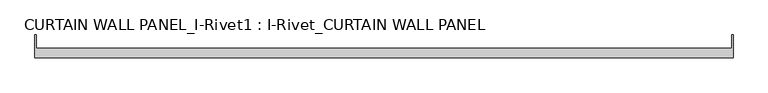
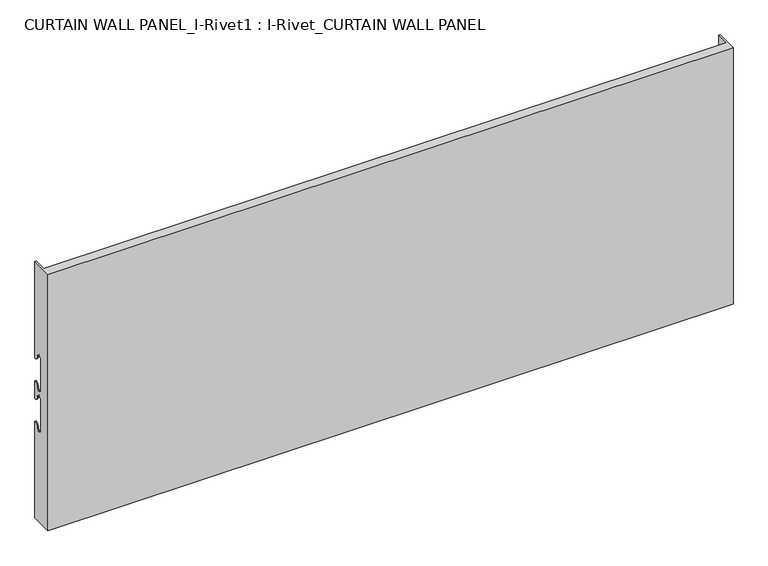
"""IFC4 building model written with IfcOpenShell, lengths in millimetres: plate geometry, CURTAIN WALL PANEL_I-Rivet1 : I-Rivet_CURTAIN WALL PANEL."""

from ifc_helpers import new_model, si_unit, frame, origin, place, context, project, spatial, polyline, circle_curve, source, transform, mapped, element, save
from ifc_brep_helpers import plane_surface, cylinder_surface, revolved_surface, advanced_brep


def curtain_wall_panel_i_rivet1_i_rivet_curtain_wall_panel_7db5dbdc(model_context):
    return source(origin(), model_context, "Body", "AdvancedBrep", [
        advanced_brep(
        [(-600.0, -85.0, 475.0), (600.0, -85.0, 475.0), (600.0, -45.3384103, 475.0), (598.0, -45.3384103, 475.0), (598.0, -68.0, 475.0), (-598.0, -68.0, 475.0), (-598.0, -45.3384103, 475.0), (-600.0, -45.3384103, 475.0), (-600.0, -85.0, 0.0), (-600.0, -45.3384103, 0.0), (-598.0, -45.3384103, 0.0), (-598.0, -68.0, 0.0), (598.0, -68.0, 0.0), (598.0, -45.3384103, 0.0), (600.0, -45.3384103, 0.0), (600.0, -85.0, 0.0), (-600.0, -45.3384103, 296.0), (-600.0, -52.3384103, 303.0), (-600.0, -63.3384103, 303.0), (-600.0, -63.3384103, 247.0), (-600.0, -52.3384103, 247.0), (-600.0, -45.3384103, 254.0), (-600.0, -45.3384103, 221.0), (-600.0, -52.3384103, 228.0), (-600.0, -63.3384103, 228.0), (-600.0, -63.3384103, 172.0), (-600.0, -52.3384103, 172.0), (-600.0, -45.3384103, 179.0), (-598.0, -45.3384103, 179.0), (-598.0, -45.3384103, 254.0), (-598.0, -45.3384103, 221.0), (-598.0, -45.3384103, 296.0), (600.0, -45.3384103, 296.0), (598.0, -45.3384103, 296.0), (598.0, -45.3384103, 179.0), (600.0, -45.3384103, 179.0), (598.0, -45.3384103, 221.0), (598.0, -45.3384103, 254.0), (600.0, -45.3384103, 254.0), (600.0, -45.3384103, 221.0), (600.0, -52.3384103, 172.0), (600.0, -63.3384103, 172.0), (600.0, -63.3384103, 228.0), (600.0, -52.3384103, 228.0), (600.0, -52.3384103, 247.0), (600.0, -63.3384103, 247.0), (600.0, -63.3384103, 303.0), (600.0, -52.3384103, 303.0), (-598.0, -52.3384103, 172.0), (-598.0, -63.3384103, 172.0), (-598.0, -63.3384103, 228.0), (-598.0, -52.3384103, 228.0), (-598.0, -52.3384103, 247.0), (-598.0, -63.3384103, 247.0), (-598.0, -63.3384103, 303.0), (-598.0, -52.3384103, 303.0), (598.0, -52.3384103, 303.0), (598.0, -63.3384103, 303.0), (598.0, -63.3384103, 247.0), (598.0, -52.3384103, 247.0), (598.0, -52.3384103, 228.0), (598.0, -63.3384103, 228.0), (598.0, -63.3384103, 172.0), (598.0, -52.3384103, 172.0)],
        [
            (0, 1),
            (1, 2),
            (2, 3),
            (3, 4),
            (4, 5),
            (5, 6),
            (6, 7),
            (7, 0),
            (8, 9),
            (9, 10),
            (10, 11),
            (11, 12),
            (12, 13),
            (13, 14),
            (14, 15),
            (15, 8),
            (7, 16),
            (16, 17, circle_curve(frame((-600.0, -45.3384103, 303.0), z_axis=(-1.0, 0.0, 0.0), x_axis=(0.0, -1.0, 0.0)), 7.0)),
            (17, 18, circle_curve(frame((-600.0, -57.8384103, 303.0), z_axis=(1.0, 0.0, 0.0), x_axis=(0.0, -1.0, 0.0)), 5.5)),
            (18, 19),
            (19, 20, circle_curve(frame((-600.0, -57.8384103, 247.0), z_axis=(1.0, 0.0, 0.0), x_axis=(0.0, -1.0, 0.0)), 5.5)),
            (20, 21, circle_curve(frame((-600.0, -45.3384103, 247.0), z_axis=(-1.0, 0.0, 0.0), x_axis=(0.0, -1.0, 0.0)), 7.0)),
            (21, 22),
            (22, 23, circle_curve(frame((-600.0, -45.3384103, 228.0), z_axis=(-1.0, 0.0, 0.0), x_axis=(0.0, -1.0, 0.0)), 7.0)),
            (23, 24, circle_curve(frame((-600.0, -57.8384103, 228.0), z_axis=(1.0, 0.0, 0.0), x_axis=(0.0, -1.0, 0.0)), 5.5)),
            (24, 25),
            (25, 26, circle_curve(frame((-600.0, -57.8384103, 172.0), z_axis=(1.0, 0.0, 0.0), x_axis=(0.0, -1.0, 0.0)), 5.5)),
            (26, 27, circle_curve(frame((-600.0, -45.3384103, 172.0), z_axis=(-1.0, 0.0, 0.0), x_axis=(0.0, -1.0, 0.0)), 7.0)),
            (27, 9),
            (8, 0),
            (27, 28),
            (28, 10),
            (21, 29),
            (29, 30),
            (30, 22),
            (6, 31),
            (31, 16),
            (2, 32),
            (32, 33),
            (33, 3),
            (13, 34),
            (34, 35),
            (35, 14),
            (36, 37),
            (37, 38),
            (38, 39),
            (39, 36),
            (1, 15),
            (35, 40, circle_curve(frame((600.0, -45.3384103, 172.0), z_axis=(1.0, 0.0, 0.0), x_axis=(0.0, -1.0, 0.0)), 7.0)),
            (40, 41, circle_curve(frame((600.0, -57.8384103, 172.0), z_axis=(-1.0, 0.0, 0.0), x_axis=(0.0, -1.0, 0.0)), 5.5)),
            (41, 42),
            (42, 43, circle_curve(frame((600.0, -57.8384103, 228.0), z_axis=(-1.0, 0.0, 0.0), x_axis=(0.0, -1.0, 0.0)), 5.5)),
            (43, 39, circle_curve(frame((600.0, -45.3384103, 228.0), z_axis=(1.0, 0.0, 0.0), x_axis=(0.0, -1.0, 0.0)), 7.0)),
            (38, 44, circle_curve(frame((600.0, -45.3384103, 247.0), z_axis=(1.0, 0.0, 0.0), x_axis=(0.0, -1.0, 0.0)), 7.0)),
            (44, 45, circle_curve(frame((600.0, -57.8384103, 247.0), z_axis=(-1.0, 0.0, 0.0), x_axis=(0.0, -1.0, 0.0)), 5.5)),
            (45, 46),
            (46, 47, circle_curve(frame((600.0, -57.8384103, 303.0), z_axis=(-1.0, 0.0, 0.0), x_axis=(0.0, -1.0, 0.0)), 5.5)),
            (47, 32, circle_curve(frame((600.0, -45.3384103, 303.0), z_axis=(1.0, 0.0, 0.0), x_axis=(0.0, -1.0, 0.0)), 7.0)),
            (5, 11),
            (28, 48, circle_curve(frame((-598.0, -45.3384103, 172.0), z_axis=(1.0, 0.0, 0.0), x_axis=(0.0, -1.0, 0.0)), 7.0)),
            (48, 49, circle_curve(frame((-598.0, -57.8384103, 172.0), z_axis=(-1.0, 0.0, 0.0), x_axis=(0.0, -1.0, 0.0)), 5.5)),
            (49, 50),
            (50, 51, circle_curve(frame((-598.0, -57.8384103, 228.0), z_axis=(-1.0, 0.0, 0.0), x_axis=(0.0, -1.0, 0.0)), 5.5)),
            (51, 30, circle_curve(frame((-598.0, -45.3384103, 228.0), z_axis=(1.0, 0.0, 0.0), x_axis=(0.0, -1.0, 0.0)), 7.0)),
            (29, 52, circle_curve(frame((-598.0, -45.3384103, 247.0), z_axis=(1.0, 0.0, 0.0), x_axis=(0.0, -1.0, 0.0)), 7.0)),
            (52, 53, circle_curve(frame((-598.0, -57.8384103, 247.0), z_axis=(-1.0, 0.0, 0.0), x_axis=(0.0, -1.0, 0.0)), 5.5)),
            (53, 54),
            (54, 55, circle_curve(frame((-598.0, -57.8384103, 303.0), z_axis=(-1.0, 0.0, 0.0), x_axis=(0.0, -1.0, 0.0)), 5.5)),
            (55, 31, circle_curve(frame((-598.0, -45.3384103, 303.0), z_axis=(1.0, 0.0, 0.0), x_axis=(0.0, -1.0, 0.0)), 7.0)),
            (33, 56, circle_curve(frame((598.0, -45.3384103, 303.0), z_axis=(-1.0, 0.0, 0.0), x_axis=(0.0, -1.0, 0.0)), 7.0)),
            (56, 57, circle_curve(frame((598.0, -57.8384103, 303.0), z_axis=(1.0, 0.0, 0.0), x_axis=(0.0, -1.0, 0.0)), 5.5)),
            (57, 58),
            (58, 59, circle_curve(frame((598.0, -57.8384103, 247.0), z_axis=(1.0, 0.0, 0.0), x_axis=(0.0, -1.0, 0.0)), 5.5)),
            (59, 37, circle_curve(frame((598.0, -45.3384103, 247.0), z_axis=(-1.0, 0.0, 0.0), x_axis=(0.0, -1.0, 0.0)), 7.0)),
            (36, 60, circle_curve(frame((598.0, -45.3384103, 228.0), z_axis=(-1.0, 0.0, 0.0), x_axis=(0.0, -1.0, 0.0)), 7.0)),
            (60, 61, circle_curve(frame((598.0, -57.8384103, 228.0), z_axis=(1.0, 0.0, 0.0), x_axis=(0.0, -1.0, 0.0)), 5.5)),
            (61, 62),
            (62, 63, circle_curve(frame((598.0, -57.8384103, 172.0), z_axis=(1.0, 0.0, 0.0), x_axis=(0.0, -1.0, 0.0)), 5.5)),
            (63, 34, circle_curve(frame((598.0, -45.3384103, 172.0), z_axis=(-1.0, 0.0, 0.0), x_axis=(0.0, -1.0, 0.0)), 7.0)),
            (12, 4),
            (41, 62),
            (61, 42),
            (49, 25),
            (24, 50),
            (40, 63),
            (48, 26),
            (51, 23),
            (43, 60),
            (18, 54),
            (53, 19),
            (57, 46),
            (45, 58),
            (17, 55),
            (56, 47),
            (59, 44),
            (20, 52),
        ],
        [
            plane_surface(frame((-600.0, -45.3384103, 475.0), z_axis=(0.0, 0.0, 1.0), x_axis=(0.0, 1.0, 0.0))),
            plane_surface(frame((-600.0, -45.3384103, 0.0), z_axis=(0.0, 0.0, -1.0), x_axis=(0.0, -1.0, 0.0))),
            plane_surface(frame((-600.0, -85.0, 475.0), z_axis=(-1.0, 0.0, 0.0), x_axis=(0.0, 0.0, -1.0))),
            plane_surface(frame((-600.0, -45.3384103, 475.0), z_axis=(0.0, 1.0, 0.0), x_axis=(0.0, 0.0, -1.0))),
            plane_surface(frame((598.0, -45.3384103, 475.0), z_axis=(0.0, 1.0, 0.0), x_axis=(0.0, 0.0, -1.0))),
            plane_surface(frame((600.0, -45.3384103, 475.0), z_axis=(1.0, 0.0, 0.0), x_axis=(0.0, 0.0, -1.0))),
            plane_surface(frame((600.0, -85.0, 475.0), z_axis=(0.0, -1.0, 0.0), x_axis=(0.0, 0.0, -1.0))),
            plane_surface(frame((-598.0, -45.3384103, 475.0), z_axis=(1.0, 0.0, 0.0), x_axis=(0.0, 0.0, -1.0))),
            plane_surface(frame((598.0, -68.0, 475.0), z_axis=(-1.0, 0.0, 0.0), x_axis=(0.0, 0.0, -1.0))),
            plane_surface(frame((-599.0, -68.0, 475.0), z_axis=(0.0, 1.0, 0.0), x_axis=(0.0, 0.0, -1.0))),
            plane_surface(frame((-600.0, -63.3384103, 228.0), z_axis=(0.0, 1.0, 0.0), x_axis=(1.0, 0.0, 0.0))),
            revolved_surface(polyline([(598.0, -63.3384103, 172.0), (600.0, -63.3384103, 172.0)]), (-600.0, -57.8384103, 172.0), (-1.0, 0.0, 0.0)),
            revolved_surface(polyline([(-600.0, -63.3384103, 172.0), (-598.0, -63.3384103, 172.0)]), (-600.0, -57.8384103, 172.0), (-1.0, 0.0, 0.0)),
            cylinder_surface(frame((-600.0, -45.3384103, 172.0), z_axis=(1.0, 0.0, 0.0), x_axis=(0.0, -1.0, 0.0)), 7.0),
            cylinder_surface(frame((-600.0, -45.3384103, 228.0), z_axis=(1.0, 0.0, 0.0), x_axis=(0.0, -1.0, 0.0)), 7.0),
            revolved_surface(polyline([(-600.0, -63.3384103, 228.0), (-598.0, -63.3384103, 228.0)]), (-600.0, -57.8384103, 228.0), (-1.0, 0.0, 0.0)),
            revolved_surface(polyline([(598.0, -63.3384103, 228.0), (600.0, -63.3384103, 228.0)]), (-600.0, -57.8384103, 228.0), (-1.0, 0.0, 0.0)),
            plane_surface(frame((600.0, -63.3384103, 247.0), z_axis=(0.0, 1.0, 0.0), x_axis=(-1.0, 0.0, 0.0))),
            revolved_surface(polyline([(-598.0, -63.3384103, 303.0), (-600.0, -63.3384103, 303.0)]), (600.0, -57.8384103, 303.0), (1.0, 0.0, 0.0)),
            revolved_surface(polyline([(600.0, -63.3384103, 303.0), (598.0, -63.3384103, 303.0)]), (600.0, -57.8384103, 303.0), (1.0, 0.0, 0.0)),
            cylinder_surface(frame((600.0, -45.3384103, 303.0), z_axis=(-1.0, 0.0, 0.0), x_axis=(0.0, -1.0, 0.0)), 7.0),
            cylinder_surface(frame((600.0, -45.3384103, 247.0), z_axis=(-1.0, 0.0, 0.0), x_axis=(0.0, -1.0, 0.0)), 7.0),
            revolved_surface(polyline([(600.0, -63.3384103, 247.0), (598.0, -63.3384103, 247.0)]), (600.0, -57.8384103, 247.0), (1.0, 0.0, 0.0)),
            revolved_surface(polyline([(-598.0, -63.3384103, 247.0), (-600.0, -63.3384103, 247.0)]), (600.0, -57.8384103, 247.0), (1.0, 0.0, 0.0)),
        ],
        [
            (0, [[1, 2, 3, 4, 5, 6, 7, 8]]),
            (1, [[9, 10, 11, 12, 13, 14, 15, 16]]),
            (2, [[17, 18, 19, 20, 21, 22, 23, 24, 25, 26, 27, 28, 29, -9, 30, -8]]),
            (3, [[-29, 31, 32, -10]]),
            (3, [[-23, 33, 34, 35]]),
            (3, [[36, 37, -17, -7]]),
            (4, [[38, 39, 40, -3]]),
            (4, [[41, 42, 43, -14]]),
            (4, [[44, 45, 46, 47]]),
            (5, [[48, -15, -43, 49, 50, 51, 52, 53, -46, 54, 55, 56, 57, 58, -38, -2]]),
            (6, [[-30, -16, -48, -1]]),
            (7, [[59, -11, -32, 60, 61, 62, 63, 64, -34, 65, 66, 67, 68, 69, -36, -6]]),
            (8, [[-40, 70, 71, 72, 73, 74, -44, 75, 76, 77, 78, 79, -41, -13, 80, -4]]),
            (9, [[-80, -12, -59, -5]]),
            (10, [[-51, 81, -77, 82]]),
            (10, [[-62, 83, -26, 84]]),
            (11, [[-50, 85, -78, -81]]),
            (12, [[-61, 86, -27, -83]]),
            (13, [[-49, -42, -79, -85]]),
            (13, [[-60, -31, -28, -86]]),
            (14, [[-24, -35, -64, 87]]),
            (14, [[-75, -47, -53, 88]]),
            (15, [[-25, -87, -63, -84]]),
            (16, [[-76, -88, -52, -82]]),
            (17, [[-20, 89, -67, 90]]),
            (17, [[-72, 91, -56, 92]]),
            (18, [[-19, 93, -68, -89]]),
            (19, [[-71, 94, -57, -91]]),
            (20, [[-18, -37, -69, -93]]),
            (20, [[-70, -39, -58, -94]]),
            (21, [[-54, -45, -74, 95]]),
            (21, [[-65, -33, -22, 96]]),
            (22, [[-55, -95, -73, -92]]),
            (23, [[-66, -96, -21, -90]]),
        ],
    ),
    ])


if __name__ == "__main__":
    model = new_model("IFC4")
    model_context = context("Model", 3, world=origin())
    ifc_project = project(units=[si_unit("LENGTHUNIT", "METRE", prefix="MILLI")], contexts=[model_context])
    site = spatial("IfcSite", under=ifc_project)
    building = spatial("IfcBuilding", under=site)
    placement = place(None, origin())
    curtain_wall_panel_i_rivet1_i_rivet_curtain_wall_panel_shape = curtain_wall_panel_i_rivet1_i_rivet_curtain_wall_panel_7db5dbdc(model_context)
    element("IfcPlate", 1, ObjectType="CURTAIN WALL PANEL_I-Rivet1 : I-Rivet_CURTAIN WALL PANEL", at=placement, inside=building, context=model_context, shape_type="MappedRepresentation", body=[
        mapped(curtain_wall_panel_i_rivet1_i_rivet_curtain_wall_panel_shape, transform((0.0, 0.0, 0.0), x_axis=(1.0, 0.0, 0.0), y_axis=(0.0, 1.0, 0.0), z_axis=(0.0, 0.0, 1.0))),
    ])
    save(model, "model.ifc")
